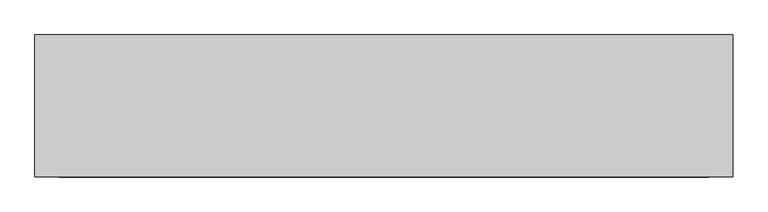
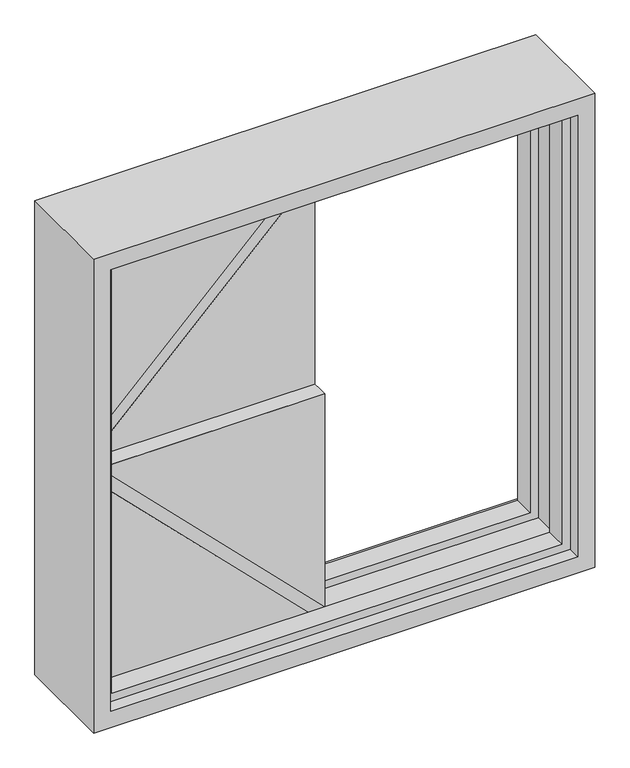
"""IFC4 building model written with IfcOpenShell, lengths in millimetres: proxy geometry."""

from ifc_helpers import new_model, si_unit, frame, origin, origin_with_axes, place, context, project, spatial, polyline, outline, extrude, faceted_brep, source, transform, mapped, element, save


def generic_models_a57de740(model_context):
    return source(origin(), model_context, "Body", "SolidModel", [
        extrude(outline(polyline([(1100.0, -550.0), (570.0, -550.0), (1100.0, -20.0), (1100.0, -550.0)])), frame((0.0, 0.0, 0.0), z_axis=(0.0, 1.0, 0.0), x_axis=(0.0, 0.0, 1.0)), (0.0, 0.0, 1.0), 60.0),
        extrude(outline(polyline([(550.0, 0.0), (1080.0, 0.0), (550.0, -530.0), (550.0, 0.0)])), frame((0.0, 0.0, 0.0), z_axis=(0.0, 1.0, 0.0), x_axis=(0.0, 0.0, 1.0)), (0.0, 0.0, 1.0), 60.0),
        extrude(outline(polyline([(550.0, 0.0), (550.0, -530.0), (20.0, 0.0), (550.0, 0.0)])), frame((0.0, -40.0, 0.0), z_axis=(0.0, 1.0, 0.0), x_axis=(0.0, 0.0, 1.0)), (0.0, 0.0, 1.0), 60.0),
        extrude(outline(polyline([(0.0, -550.0), (0.0, -20.0), (530.0, -550.0), (0.0, -550.0)])), frame((0.0, -40.0, 0.0), z_axis=(0.0, 1.0, 0.0), x_axis=(0.0, 0.0, 1.0)), (0.0, 0.0, 1.0), 60.0),
        faceted_brep([(550.0, 40.0, 0.0), (550.0, -40.0, 0.0), (550.0, -40.0, 1100.0), (550.0, 40.0, 1100.0), (-550.0, -40.0, 1100.0), (-550.0, 40.0, 1100.0), (-550.0, -40.0, 0.0), (-550.0, 40.0, 0.0), (530.0, 90.0, 20.0), (530.0, 40.0, 20.0), (530.0, 40.0, 1080.0), (530.0, 90.0, 1080.0), (550.0, 120.0, 0.0), (550.0, 90.0, 0.0), (550.0, 90.0, 1100.0), (550.0, 120.0, 1100.0), (590.0, -120.0, -40.0), (590.0, 120.0, -40.0), (590.0, 120.0, 1140.0), (590.0, -120.0, 1140.0), (550.0, -90.0, 0.0), (550.0, -120.0, 0.0), (550.0, -120.0, 1100.0), (550.0, -90.0, 1100.0), (530.0, -40.0, 20.0), (530.0, -90.0, 20.0), (530.0, -90.0, 1080.0), (530.0, -40.0, 1080.0), (-530.0, 40.0, 1080.0), (-530.0, 90.0, 1080.0), (-550.0, 90.0, 1100.0), (-550.0, 120.0, 1100.0), (-590.0, 120.0, 1140.0), (-590.0, -120.0, 1140.0), (-550.0, -120.0, 1100.0), (-550.0, -90.0, 1100.0), (-530.0, -90.0, 1080.0), (-530.0, -40.0, 1080.0), (-530.0, 40.0, 20.0), (-530.0, 90.0, 20.0), (-550.0, 90.0, 0.0), (-550.0, 120.0, 0.0), (-590.0, 120.0, -40.0), (-590.0, -120.0, -40.0), (-550.0, -120.0, 0.0), (-550.0, -90.0, 0.0), (-530.0, -90.0, 20.0), (-530.0, -40.0, 20.0)], [[[0, 1, 2, 3]], [[3, 2, 4, 5]], [[5, 4, 6, 7]], [[7, 6, 1, 0]], [[8, 9, 10, 11]], [[12, 13, 14, 15]], [[16, 17, 18, 19]], [[20, 21, 22, 23]], [[24, 25, 26, 27]], [[11, 10, 28, 29]], [[15, 14, 30, 31]], [[19, 18, 32, 33]], [[23, 22, 34, 35]], [[27, 26, 36, 37]], [[29, 28, 38, 39]], [[31, 30, 40, 41]], [[33, 32, 42, 43]], [[35, 34, 44, 45]], [[37, 36, 46, 47]], [[3, 5, 7, 0], [9, 38, 28, 10]], [[39, 38, 9, 8]], [[13, 40, 30, 14], [11, 29, 39, 8]], [[41, 40, 13, 12]], [[17, 42, 32, 18], [15, 31, 41, 12]], [[43, 42, 17, 16]], [[19, 33, 43, 16], [21, 44, 34, 22]], [[45, 44, 21, 20]], [[23, 35, 45, 20], [25, 46, 36, 26]], [[47, 46, 25, 24]], [[1, 6, 4, 2], [27, 37, 47, 24]]]),
        extrude(outline(polyline([(0.0, 0.0), (-550.0, 0.0), (-550.0, 40.0), (0.0, 40.0), (0.0, 0.0)])), frame((0.0, 0.0, 550.0), z_axis=(0.0, 0.0, 1.0), x_axis=(1.0, 0.0, 0.0)), (0.0, 0.0, 1.0), 550.0),
        extrude(outline(polyline([(0.0, -40.0), (-550.0, -40.0), (-550.0, 0.0), (0.0, 0.0), (0.0, -40.0)])), origin_with_axes(), (0.0, 0.0, 1.0), 550.0),
    ])


if __name__ == "__main__":
    model = new_model("IFC4")
    model_context = context("Model", 3, world=origin())
    ifc_project = project(units=[si_unit("LENGTHUNIT", "METRE", prefix="MILLI")], contexts=[model_context])
    site = spatial("IfcSite", under=ifc_project)
    building = spatial("IfcBuilding", under=site)
    placement = place(None, origin())
    generic_models_shape = generic_models_a57de740(model_context)
    element("IfcBuildingElementProxy", 1, Name="Generic Models", at=placement, inside=building, context=model_context, shape_type="MappedRepresentation", body=[
        mapped(generic_models_shape, transform((0.0, 0.0, 0.0), x_axis=(1.0, 0.0, 0.0), y_axis=(0.0, 1.0, 0.0), z_axis=(0.0, 0.0, 1.0))),
    ])
    save(model, "model.ifc")
